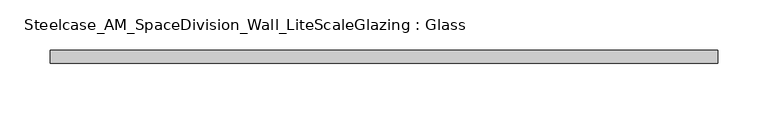
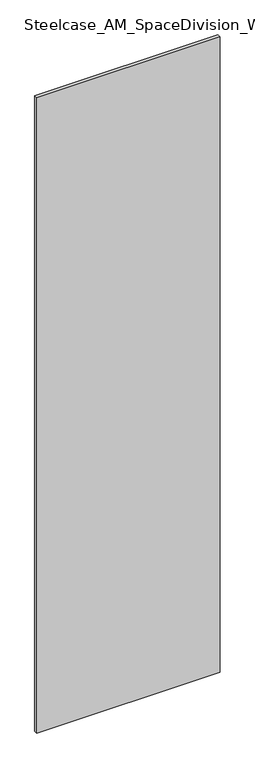
"""IFC4 building model written with IfcOpenShell, lengths in millimetres: plate geometry, Steelcase_AM_SpaceDivision_Wall_LiteScaleGlazing : Glass."""

from ifc_helpers import new_model, si_unit, origin, origin_with_axes, place, context, project, spatial, polyline, outline, extrude, source, transform, mapped, element, save


def steelcase_am_spacedivision_wall_litescaleglazing_glass_c11cff73(model_context):
    return source(origin(), model_context, "Body", "SweptSolid", [
        extrude(outline(polyline([(-331.2815993, -6.349956), (-331.2815993, 6.3502015), (331.2815993, 6.3502015), (331.2815993, -6.349956), (-331.2815993, -6.349956)])), origin_with_axes(), (0.0, 0.0, 1.0), 2424.684),
    ])


if __name__ == "__main__":
    model = new_model("IFC4")
    model_context = context("Model", 3, world=origin())
    ifc_project = project(units=[si_unit("LENGTHUNIT", "METRE", prefix="MILLI")], contexts=[model_context])
    site = spatial("IfcSite", under=ifc_project)
    building = spatial("IfcBuilding", under=site)
    placement = place(None, origin())
    steelcase_am_spacedivision_wall_litescaleglazing_glass_shape = steelcase_am_spacedivision_wall_litescaleglazing_glass_c11cff73(model_context)
    element("IfcPlate", 1, ObjectType="Steelcase_AM_SpaceDivision_Wall_LiteScaleGlazing : Glass", at=placement, inside=building, context=model_context, shape_type="MappedRepresentation", body=[
        mapped(steelcase_am_spacedivision_wall_litescaleglazing_glass_shape, transform((0.0, 0.0, 0.0), x_axis=(1.0, 0.0, 0.0), y_axis=(0.0, 1.0, 0.0), z_axis=(0.0, 0.0, 1.0))),
    ])
    save(model, "model.ifc")
